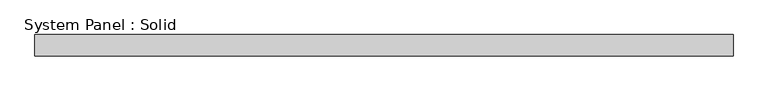
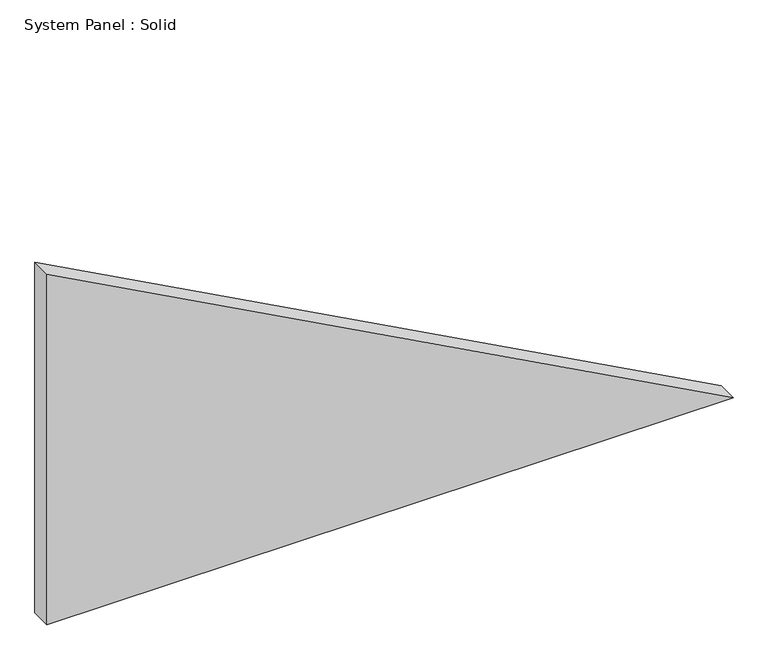
"""IFC4 building model written with IfcOpenShell, lengths in millimetres: plate geometry, System Panel : Solid."""

from ifc_helpers import new_model, si_unit, frame, origin, place, context, project, spatial, polyline, outline, extrude, source, transform, mapped, element, save


def system_panel_solid_7fe4d877(model_context):
    return source(origin(), model_context, "Body", "SweptSolid", [
        extrude(outline(polyline([(0.0, -986.6191359), (0.0, 986.6191359), (1066.780924, -986.6191359), (0.0, -986.6191359)])), frame((0.0, -10.5, 0.0), z_axis=(0.0, 1.0, 0.0), x_axis=(0.0, 0.0, 1.0)), (0.0, 0.0, 1.0), 60.0),
    ])


if __name__ == "__main__":
    model = new_model("IFC4")
    model_context = context("Model", 3, world=origin())
    ifc_project = project(units=[si_unit("LENGTHUNIT", "METRE", prefix="MILLI")], contexts=[model_context])
    site = spatial("IfcSite", under=ifc_project)
    building = spatial("IfcBuilding", under=site)
    placement = place(None, origin())
    system_panel_solid_shape = system_panel_solid_7fe4d877(model_context)
    element("IfcPlate", 1, ObjectType="System Panel : Solid", at=placement, inside=building, context=model_context, shape_type="MappedRepresentation", body=[
        mapped(system_panel_solid_shape, transform((0.0, 0.0, 0.0), x_axis=(1.0, 0.0, 0.0), y_axis=(0.0, 1.0, 0.0), z_axis=(0.0, 0.0, 1.0))),
    ])
    save(model, "model.ifc")
